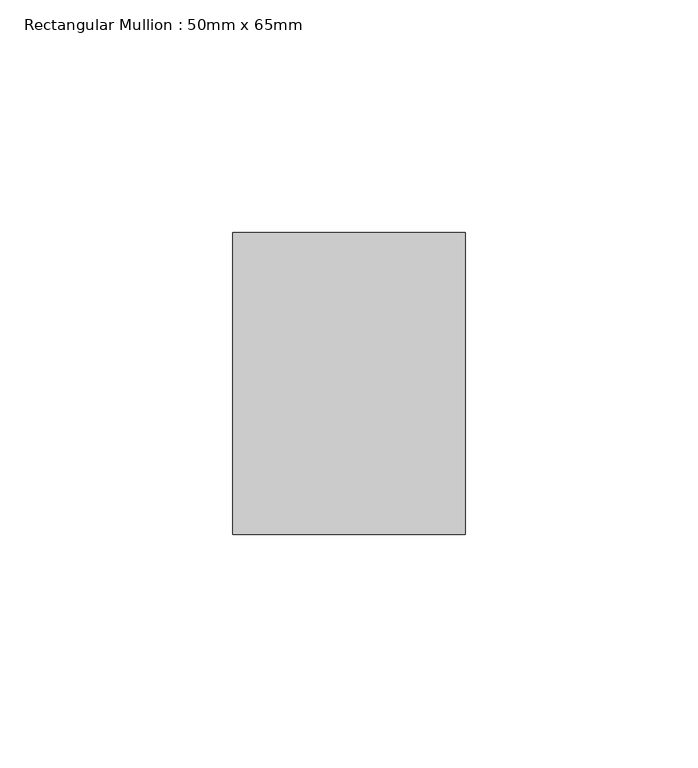
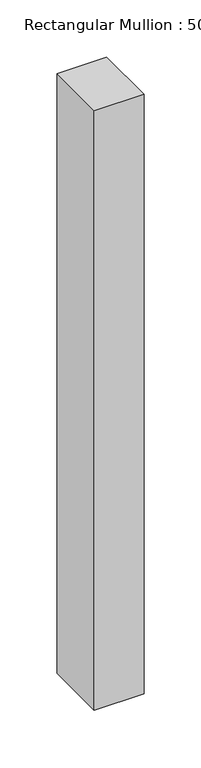
"""IFC4 building model written with IfcOpenShell, lengths in millimetres: member geometry, Rectangular Mullion : 50mm x 65mm."""

from ifc_helpers import new_model, si_unit, frame, origin, place, context, project, spatial, polyline, outline, extrude, source, transform, mapped, element, save


def rectangular_mullion_50mm_x_65mm_af024fd0(model_context):
    return source(origin(), model_context, "Body", "SweptSolid", [
        extrude(outline(polyline([(25.0, 32.5), (25.0, -32.5), (-25.0, -32.5), (-25.0, 32.5), (25.0, 32.5)])), frame((0.0, 0.0, -639.7126028), z_axis=(0.0, 0.0, 1.0), x_axis=(1.0, 0.0, 0.0)), (0.0, 0.0, 1.0), 639.7126028),
    ])


if __name__ == "__main__":
    model = new_model("IFC4")
    model_context = context("Model", 3, world=origin())
    ifc_project = project(units=[si_unit("LENGTHUNIT", "METRE", prefix="MILLI")], contexts=[model_context])
    site = spatial("IfcSite", under=ifc_project)
    building = spatial("IfcBuilding", under=site)
    placement = place(None, origin())
    rectangular_mullion_50mm_x_65mm_shape = rectangular_mullion_50mm_x_65mm_af024fd0(model_context)
    element("IfcMember", 1, ObjectType="Rectangular Mullion : 50mm x 65mm", at=placement, inside=building, context=model_context, shape_type="MappedRepresentation", body=[
        mapped(rectangular_mullion_50mm_x_65mm_shape, transform((0.0, 0.0, 0.0), x_axis=(1.0, 0.0, 0.0), y_axis=(0.0, 1.0, 0.0), z_axis=(0.0, 0.0, 1.0))),
    ])
    save(model, "model.ifc")
